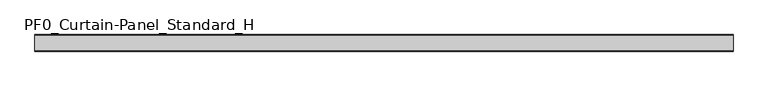
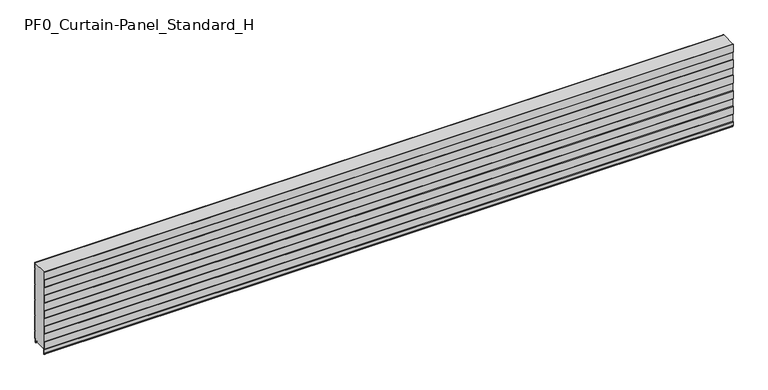
"""IFC4 building model written with IfcOpenShell, lengths in millimetres: plate geometry, PF0_Curtain-Panel_Standard_H."""

from ifc_helpers import new_model, si_unit, point, frame, frame_2d, origin, place, context, project, spatial, polyline, circle_curve, trimmed, segment, composite_curve, outline, extrude, source, transform, mapped, element, save


def pf0_curtain_panel_standard_h_9edfbc0a(model_context):
    return source(origin(), model_context, "Body", "SweptSolid", [
        extrude(outline(composite_curve([segment(polyline([(-90.0, 0.0), (-93.5, 0.0)]), True, "CONTINUOUS"), segment(trimmed(circle_curve(frame_2d((-93.5, -2.0)), 2.0), [point((-93.5, 0.0))], [point((-95.5, -2.0))], True, "CARTESIAN"), True, "CONTINUOUS"), segment(polyline([(-95.5, -2.0), (-95.5, -33.0)]), True, "CONTINUOUS"), segment(trimmed(circle_curve(frame_2d((-96.5, -33.0)), 1.0), [point((-95.5, -33.0))], [point((-97.5, -33.0))], False, "CARTESIAN"), True, "CONTINUOUS"), segment(polyline([(-97.5, -33.0), (-97.5, -26.9)]), True, "CONTINUOUS"), segment(trimmed(circle_curve(frame_2d((-98.4, -26.9)), 0.9), [point((-97.5, -26.9))], [point((-98.4, -26.0))], True, "CARTESIAN"), True, "CONTINUOUS"), segment(trimmed(circle_curve(frame_2d((-98.4, -24.4)), 1.6), [point((-98.4, -26.0))], [point((-100.0, -24.4))], False, "CARTESIAN"), True, "CONTINUOUS"), segment(polyline([(-100.0, -24.4), (-100.0, -0.9952559), (-98.5, 1.6028217), (-98.5, 46.4028193), (-100.0, 49.0008969), (-100.0, 99.0047441), (-98.5, 101.6028217), (-98.5, 146.4028193), (-100.0, 149.0008969), (-100.0, 199.0047441), (-98.5, 201.6028217), (-98.5, 246.4028193), (-100.0, 249.0008969), (-100.0, 299.0047441), (-98.5, 301.6028217), (-98.5, 346.4028193), (-100.0, 349.0008969), (-100.0, 399.0047441), (-98.5, 401.6028217), (-98.5, 446.4028193), (-100.0, 449.0008969), (-100.0, 499.0047441), (-99.425389, 500.0), (-98.5016287, 500.0), (-99.2, 498.7903848), (-99.2, 449.2152562), (-97.7, 446.6171786), (-97.7, 401.3884624), (-99.2, 398.7903848), (-99.2, 349.2152562), (-97.7, 346.6171786), (-97.7, 301.3884624), (-99.2, 298.7903848), (-99.2, 249.2152562), (-97.7, 246.6171786), (-97.7, 201.3884624), (-99.2, 198.7903848), (-99.2, 149.2152562), (-97.7, 146.6171786), (-97.7, 101.3884624), (-99.2, 98.7903848), (-99.2, 49.2152562), (-97.7, 46.6171786), (-97.7, 1.3884624), (-99.2, -1.2096152), (-99.2, -24.4)]), True, "CONTINUOUS"), segment(trimmed(circle_curve(frame_2d((-98.4, -24.4)), 0.8), [point((-99.2, -24.4))], [point((-98.4, -25.2))], True, "CARTESIAN"), True, "CONTINUOUS"), segment(trimmed(circle_curve(frame_2d((-98.6133333, -26.9)), 1.7133333), [point((-98.4, -25.2))], [point((-96.9, -26.9))], False, "CARTESIAN"), True, "CONTINUOUS"), segment(polyline([(-96.9, -26.9), (-96.9, -32.8700312)]), True, "CONTINUOUS"), segment(trimmed(circle_curve(frame_2d((-96.6, -32.8700312)), 0.3), [point((-96.9, -32.8700312))], [point((-96.3, -32.8700312))], True, "CARTESIAN"), True, "CONTINUOUS"), segment(polyline([(-96.3, -32.8700312), (-96.3, -2.0)]), True, "CONTINUOUS"), segment(trimmed(circle_curve(frame_2d((-93.5, -2.0)), 2.8), [point((-96.3, -2.0))], [point((-93.5, 0.8))], False, "CARTESIAN"), True, "CONTINUOUS"), segment(polyline([(-93.5, 0.8), (-90.0, 0.8), (-90.0, 0.0)]), True, "CONTINUOUS")], self_intersect=False)), frame((-2100.0, 0.0, 0.0), z_axis=(1.0, 0.0, 0.0), x_axis=(0.0, 1.0, 0.0)), (0.0, 0.0, 1.0), 4200.0),
        extrude(outline(composite_curve([segment(polyline([(-15.878557, 0.0), (-20.0, 0.0), (-20.0, 0.8), (-15.878557, 0.8)]), True, "CONTINUOUS"), segment(trimmed(circle_curve(frame_2d((-15.878557, -2.0)), 2.8), [point((-15.878557, 0.8))], [point((-13.1503208, -1.370137))], False, "CARTESIAN"), True, "CONTINUOUS"), segment(polyline([(-13.1503208, -1.370137), (-11.728236, -7.529863)]), True, "CONTINUOUS"), segment(trimmed(circle_curve(frame_2d((-9.0, -6.9)), 2.8), [point((-11.728236, -7.529863))], [point((-6.2, -6.9))], True, "CARTESIAN"), True, "CONTINUOUS"), segment(polyline([(-6.2, -6.9), (-6.2, 8.6)]), True, "CONTINUOUS"), segment(trimmed(circle_curve(frame_2d((-3.4, 8.6)), 2.8), [point((-6.2, 8.6))], [point((-3.4, 11.4))], False, "CARTESIAN"), True, "CONTINUOUS"), segment(polyline([(-3.4, 11.4), (-2.0, 11.4)]), True, "CONTINUOUS"), segment(trimmed(circle_curve(frame_2d((-2.0, 12.6)), 1.2), [point((-2.0, 11.4))], [point((-0.8, 12.6))], True, "CARTESIAN"), True, "CONTINUOUS"), segment(polyline([(-0.8, 12.6), (-0.8, 57.6856412), (-2.482606, 60.6), (-0.8, 63.5143588), (-0.8, 157.6856412), (-2.482606, 160.6), (-0.8, 163.5143588), (-0.8, 257.6856412), (-2.482606, 260.6), (-0.8, 263.5143588), (-0.8, 357.6856412), (-2.482606, 360.6), (-0.8, 363.5143588), (-0.8, 457.6856412), (-2.482606, 460.6), (-0.8, 463.5143588), (-0.8, 500.0), (0.0, 500.0), (0.0, 463.2999995), (-1.5588455, 460.6), (0.0, 457.9000005), (0.0, 363.2999995), (-1.5588455, 360.6), (0.0, 357.9000005), (0.0, 263.2999995), (-1.5588455, 260.6), (0.0, 257.9000005), (0.0, 163.2999995), (-1.5588455, 160.6), (0.0, 157.9000005), (0.0, 63.2999995), (-1.5588455, 60.6), (0.0, 57.9000005), (0.0, 12.6)]), True, "CONTINUOUS"), segment(trimmed(circle_curve(frame_2d((-2.0, 12.6)), 2.0), [point((0.0, 12.6))], [point((-2.0, 10.6))], False, "CARTESIAN"), True, "CONTINUOUS"), segment(polyline([(-2.0, 10.6), (-3.4, 10.6)]), True, "CONTINUOUS"), segment(trimmed(circle_curve(frame_2d((-3.4, 8.6)), 2.0), [point((-3.4, 10.6))], [point((-5.4, 8.6))], True, "CARTESIAN"), True, "CONTINUOUS"), segment(polyline([(-5.4, 8.6), (-5.4, -6.9)]), True, "CONTINUOUS"), segment(trimmed(circle_curve(frame_2d((-9.0, -6.9)), 3.6), [point((-5.4, -6.9))], [point((-12.5077322, -7.7098239))], False, "CARTESIAN"), True, "CONTINUOUS"), segment(polyline([(-12.5077322, -7.7098239), (-13.929817, -1.5500979)]), True, "CONTINUOUS"), segment(trimmed(circle_curve(frame_2d((-15.878557, -2.0)), 2.0), [point((-13.929817, -1.5500979))], [point((-15.878557, 0.0))], True, "CARTESIAN"), True, "CONTINUOUS")], self_intersect=False)), frame((-2100.0, 0.0, 0.0), z_axis=(1.0, 0.0, 0.0), x_axis=(0.0, 1.0, 0.0)), (0.0, 0.0, 1.0), 4200.0),
        extrude(outline(composite_curve([segment(polyline([(-90.0, 0.8), (-93.5, 0.8)]), True, "CONTINUOUS"), segment(trimmed(circle_curve(frame_2d((-93.5, -2.0)), 2.8), [point((-93.5, 0.8))], [point((-96.3, -2.0))], True, "CARTESIAN"), True, "CONTINUOUS"), segment(polyline([(-96.3, -2.0), (-96.3, -32.8700312)]), True, "CONTINUOUS"), segment(trimmed(circle_curve(frame_2d((-96.6, -32.8700312)), 0.3), [point((-96.3, -32.8700312))], [point((-96.9, -32.8700312))], False, "CARTESIAN"), True, "CONTINUOUS"), segment(polyline([(-96.9, -32.8700312), (-96.9, -26.9)]), True, "CONTINUOUS"), segment(trimmed(circle_curve(frame_2d((-98.6133333, -26.9)), 1.7133333), [point((-96.9, -26.9))], [point((-98.4, -25.2))], True, "CARTESIAN"), True, "CONTINUOUS"), segment(trimmed(circle_curve(frame_2d((-98.4, -24.4)), 0.8), [point((-98.4, -25.2))], [point((-99.2, -24.4))], False, "CARTESIAN"), True, "CONTINUOUS"), segment(polyline([(-99.2, -24.4), (-99.2, -1.2096152), (-97.7, 1.3884624), (-97.7, 46.6171786), (-99.2, 49.2152562), (-99.2, 98.7903848), (-97.7, 101.3884624), (-97.7, 146.6171786), (-99.2, 149.2152562), (-99.2, 198.7903848), (-97.7, 201.3884624), (-97.7, 246.6171786), (-99.2, 249.2152562), (-99.2, 298.7903848), (-97.7, 301.3884624), (-97.7, 346.6171786), (-99.2, 349.2152562), (-99.2, 398.7903848), (-97.7, 401.3884624), (-97.7, 446.6171786), (-99.2, 449.2152562), (-99.2, 498.7903848), (-98.5016287, 500.0), (-0.8, 500.0), (-0.8, 463.5143588), (-2.482606, 460.6), (-0.8, 457.6856412), (-0.8, 363.5143588), (-2.482606, 360.6), (-0.8, 357.6856412), (-0.8, 263.5143588), (-2.482606, 260.6), (-0.8, 257.6856412), (-0.8, 163.5143588), (-2.482606, 160.6), (-0.8, 157.6856412), (-0.8, 63.5143588), (-2.482606, 60.6), (-0.8, 57.6856412), (-0.8, 12.6)]), True, "CONTINUOUS"), segment(trimmed(circle_curve(frame_2d((-2.0, 12.6)), 1.2), [point((-0.8, 12.6))], [point((-2.0, 11.4))], False, "CARTESIAN"), True, "CONTINUOUS"), segment(polyline([(-2.0, 11.4), (-3.4, 11.4)]), True, "CONTINUOUS"), segment(trimmed(circle_curve(frame_2d((-3.4, 8.6)), 2.8), [point((-3.4, 11.4))], [point((-6.2, 8.6))], True, "CARTESIAN"), True, "CONTINUOUS"), segment(polyline([(-6.2, 8.6), (-6.2, -6.9)]), True, "CONTINUOUS"), segment(trimmed(circle_curve(frame_2d((-9.0, -6.9)), 2.8), [point((-6.2, -6.9))], [point((-11.7282362, -7.529863))], False, "CARTESIAN"), True, "CONTINUOUS"), segment(polyline([(-11.7282362, -7.529863), (-13.1503208, -1.370137)]), True, "CONTINUOUS"), segment(trimmed(circle_curve(frame_2d((-15.878557, -2.0)), 2.8), [point((-13.1503208, -1.370137))], [point((-15.878557, 0.8))], True, "CARTESIAN"), True, "CONTINUOUS"), segment(polyline([(-15.878557, 0.8), (-20.0, 0.8), (-20.0, 0.0), (-90.0, 0.0), (-90.0, 0.8)]), True, "CONTINUOUS")], self_intersect=False)), frame((-2100.0, 0.0, 0.0), z_axis=(1.0, 0.0, 0.0), x_axis=(0.0, 1.0, 0.0)), (0.0, 0.0, 1.0), 4200.0),
    ])


if __name__ == "__main__":
    model = new_model("IFC4")
    model_context = context("Model", 3, world=origin())
    ifc_project = project(units=[si_unit("LENGTHUNIT", "METRE", prefix="MILLI")], contexts=[model_context])
    site = spatial("IfcSite", under=ifc_project)
    building = spatial("IfcBuilding", under=site)
    placement = place(None, origin())
    pf0_curtain_panel_standard_h_shape = pf0_curtain_panel_standard_h_9edfbc0a(model_context)
    element("IfcPlate", 1, ObjectType="PF0_Curtain-Panel_Standard_H", at=placement, inside=building, context=model_context, shape_type="MappedRepresentation", body=[
        mapped(pf0_curtain_panel_standard_h_shape, transform((0.0, 0.0, 0.0), x_axis=(1.0, 0.0, 0.0), y_axis=(0.0, 1.0, 0.0), z_axis=(0.0, 0.0, 1.0))),
    ])
    save(model, "model.ifc")
